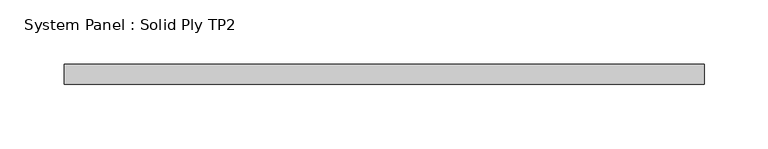
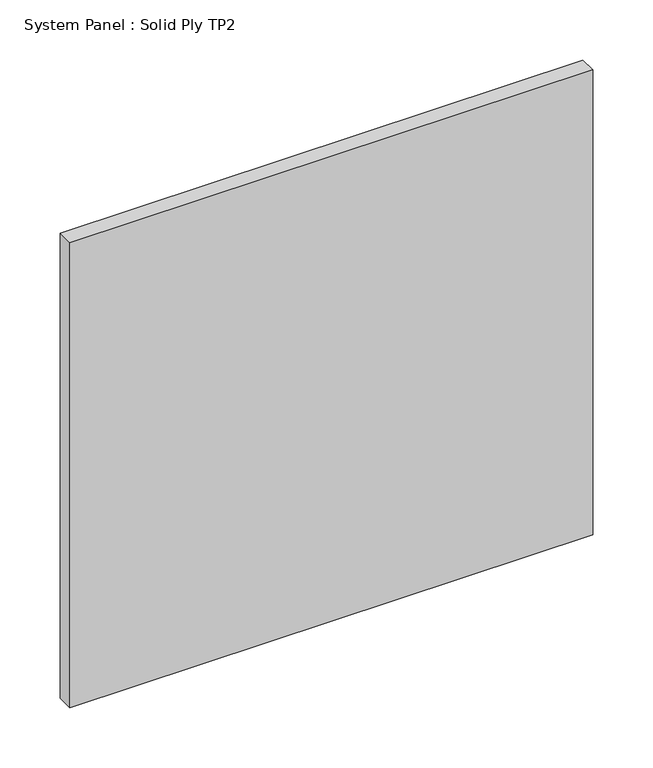
"""IFC4 building model written with IfcOpenShell, lengths in millimetres: plate geometry, System Panel : Solid Ply TP2."""

from ifc_helpers import new_model, si_unit, origin, origin_with_axes, place, context, project, spatial, polyline, outline, extrude, source, transform, mapped, element, save


def system_panel_solid_ply_tp2_25235344(model_context):
    return source(origin(), model_context, "Body", "SweptSolid", [
        extrude(outline(polyline([(250.0, -23.0), (-250.0, -23.0), (-250.0, -7.0), (250.0, -7.0), (250.0, -23.0)])), origin_with_axes(), (0.0, 0.0, 1.0), 470.0),
    ])


if __name__ == "__main__":
    model = new_model("IFC4")
    model_context = context("Model", 3, world=origin())
    ifc_project = project(units=[si_unit("LENGTHUNIT", "METRE", prefix="MILLI")], contexts=[model_context])
    site = spatial("IfcSite", under=ifc_project)
    building = spatial("IfcBuilding", under=site)
    placement = place(None, origin())
    system_panel_solid_ply_tp2_shape = system_panel_solid_ply_tp2_25235344(model_context)
    element("IfcPlate", 1, ObjectType="System Panel : Solid Ply TP2", at=placement, inside=building, context=model_context, shape_type="MappedRepresentation", body=[
        mapped(system_panel_solid_ply_tp2_shape, transform((0.0, 0.0, 0.0), x_axis=(1.0, 0.0, 0.0), y_axis=(0.0, 1.0, 0.0), z_axis=(0.0, 0.0, 1.0))),
    ])
    save(model, "model.ifc")
